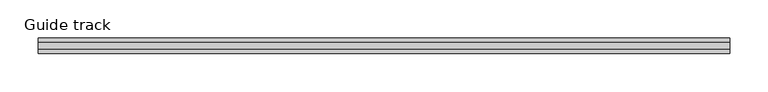
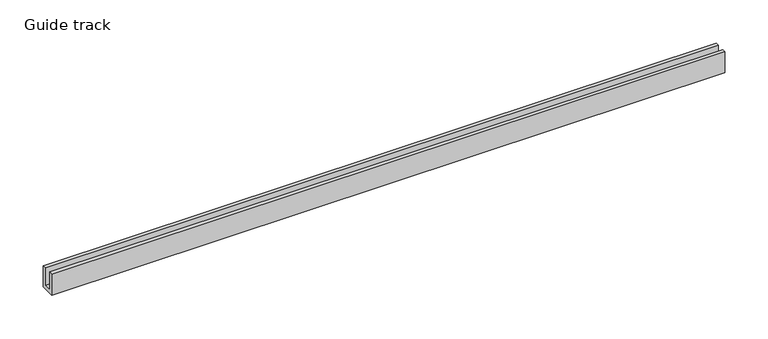
"""IFC4 building model written with IfcOpenShell, lengths in millimetres: proxy geometry, Guide track."""

from ifc_helpers import new_model, si_unit, frame, origin, place, context, project, spatial, polyline, outline, extrude, source, transform, mapped, element, save


def guide_track_920f0f95(model_context):
    return source(origin(), model_context, "Body", "SweptSolid", [
        extrude(outline(polyline([(-20.0, 30.0), (-15.0, 30.0), (-15.0, 5.0), (-5.0, 5.0), (-5.0, 30.0), (0.0, 30.0), (0.0, 0.0), (-20.0, 0.0), (-20.0, 30.0)])), frame((0.0, 0.0, 0.0), z_axis=(1.0, 0.0, 0.0), x_axis=(0.0, 1.0, 0.0)), (0.0, 0.0, 1.0), 900.0),
    ])


if __name__ == "__main__":
    model = new_model("IFC4")
    model_context = context("Model", 3, world=origin())
    ifc_project = project(units=[si_unit("LENGTHUNIT", "METRE", prefix="MILLI")], contexts=[model_context])
    site = spatial("IfcSite", under=ifc_project)
    building = spatial("IfcBuilding", under=site)
    placement = place(None, origin())
    guide_track_shape = guide_track_920f0f95(model_context)
    element("IfcBuildingElementProxy", 1, Name="Guide track", ObjectType="Guide track", at=placement, inside=building, context=model_context, shape_type="MappedRepresentation", body=[
        mapped(guide_track_shape, transform((0.0, 0.0, 0.0), x_axis=(1.0, 0.0, 0.0), y_axis=(0.0, 1.0, 0.0), z_axis=(0.0, 0.0, 1.0))),
    ])
    save(model, "model.ifc")
